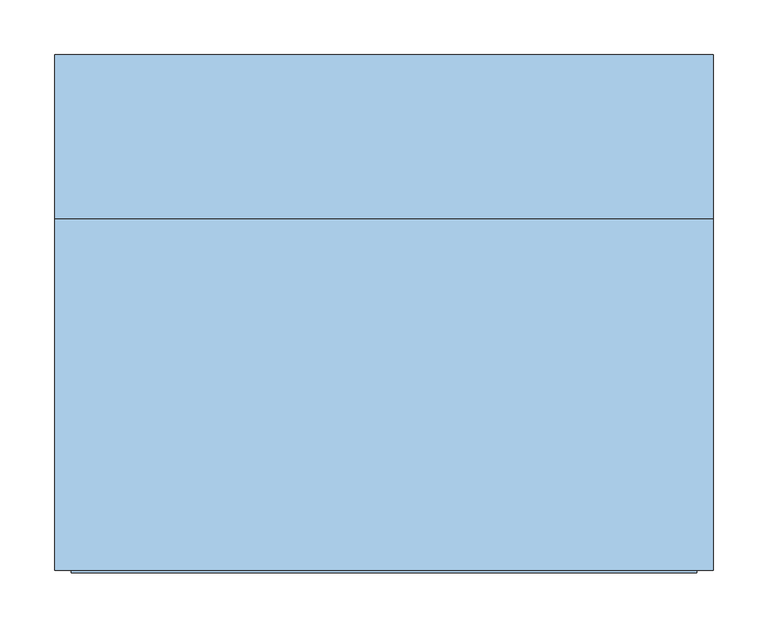
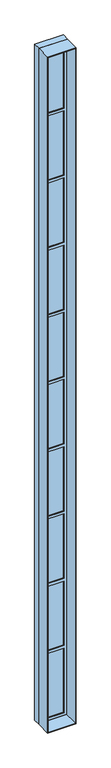
"""IFC4 building model written with IfcOpenShell, lengths in millimetres: window geometry."""

from ifc_helpers import new_model, si_unit, frame, origin, place, context, project, spatial, polyline, outline, extrude, source, transform, mapped, element, save


def window_172be361(model_context):
    return source(origin(), model_context, "Body", "SweptSolid", [
        extrude(outline(polyline([(15765.0, -579.5689401), (775.0, -579.5689401), (775.0, 20.4310599), (15765.0, 20.4310599), (15765.0, -579.5689401)]), holes=[polyline([(15750.0, -564.5689401), (15750.0, 5.4310599), (790.0, 5.4310599), (790.0, -564.5689401), (15750.0, -564.5689401)])]), frame((0.0, -170.0, 0.0), z_axis=(0.0, 1.0, 0.0), x_axis=(0.0, 0.0, 1.0)), (0.0, 0.0, 1.0), 320.0),
        extrude(outline(polyline([(-54.5689401, 170.0), (-504.5689401, 170.0), (-504.5689401, 190.0), (-54.5689401, 190.0), (-54.5689401, 170.0)])), frame((0.0, 0.0, 850.0), z_axis=(0.0, 0.0, 1.0), x_axis=(1.0, 0.0, 0.0)), (0.0, 0.0, 1.0), 1430.0),
        extrude(outline(polyline([(-54.5689401, 170.0), (-504.5689401, 170.0), (-504.5689401, 190.0), (-54.5689401, 190.0), (-54.5689401, 170.0)])), frame((0.0, 0.0, 14260.0), z_axis=(0.0, 0.0, 1.0), x_axis=(1.0, 0.0, 0.0)), (0.0, 0.0, 1.0), 1430.0),
        extrude(outline(polyline([(-54.5689401, 170.0), (-504.5689401, 170.0), (-504.5689401, 190.0), (-54.5689401, 190.0), (-54.5689401, 170.0)])), frame((0.0, 0.0, 12770.0), z_axis=(0.0, 0.0, 1.0), x_axis=(1.0, 0.0, 0.0)), (0.0, 0.0, 1.0), 1430.0),
        extrude(outline(polyline([(-54.5689401, 170.0), (-504.5689401, 170.0), (-504.5689401, 190.0), (-54.5689401, 190.0), (-54.5689401, 170.0)])), frame((0.0, 0.0, 11280.0), z_axis=(0.0, 0.0, 1.0), x_axis=(1.0, 0.0, 0.0)), (0.0, 0.0, 1.0), 1430.0),
        extrude(outline(polyline([(-54.5689401, 170.0), (-504.5689401, 170.0), (-504.5689401, 190.0), (-54.5689401, 190.0), (-54.5689401, 170.0)])), frame((0.0, 0.0, 9790.0), z_axis=(0.0, 0.0, 1.0), x_axis=(1.0, 0.0, 0.0)), (0.0, 0.0, 1.0), 1430.0),
        extrude(outline(polyline([(-54.5689401, 170.0), (-504.5689401, 170.0), (-504.5689401, 190.0), (-54.5689401, 190.0), (-54.5689401, 170.0)])), frame((0.0, 0.0, 8300.0), z_axis=(0.0, 0.0, 1.0), x_axis=(1.0, 0.0, 0.0)), (0.0, 0.0, 1.0), 1430.0),
        extrude(outline(polyline([(-54.5689401, 170.0), (-504.5689401, 170.0), (-504.5689401, 190.0), (-54.5689401, 190.0), (-54.5689401, 170.0)])), frame((0.0, 0.0, 6810.0), z_axis=(0.0, 0.0, 1.0), x_axis=(1.0, 0.0, 0.0)), (0.0, 0.0, 1.0), 1430.0),
        extrude(outline(polyline([(-54.5689401, 170.0), (-504.5689401, 170.0), (-504.5689401, 190.0), (-54.5689401, 190.0), (-54.5689401, 170.0)])), frame((0.0, 0.0, 5320.0), z_axis=(0.0, 0.0, 1.0), x_axis=(1.0, 0.0, 0.0)), (0.0, 0.0, 1.0), 1430.0),
        extrude(outline(polyline([(-54.5689401, 170.0), (-504.5689401, 170.0), (-504.5689401, 190.0), (-54.5689401, 190.0), (-54.5689401, 170.0)])), frame((0.0, 0.0, 3830.0), z_axis=(0.0, 0.0, 1.0), x_axis=(1.0, 0.0, 0.0)), (0.0, 0.0, 1.0), 1430.0),
        extrude(outline(polyline([(-54.5689401, 170.0), (-504.5689401, 170.0), (-504.5689401, 190.0), (-54.5689401, 190.0), (-54.5689401, 170.0)])), frame((0.0, 0.0, 2340.0), z_axis=(0.0, 0.0, 1.0), x_axis=(1.0, 0.0, 0.0)), (0.0, 0.0, 1.0), 1430.0),
        extrude(outline(polyline([(15750.0, -564.5689401), (790.0, -564.5689401), (790.0, 5.4310599), (15750.0, 5.4310599), (15750.0, -564.5689401)]), holes=[polyline([(15690.0, -504.5689401), (15690.0, -54.5689401), (14260.0, -54.5689401), (14260.0, -504.5689401), (15690.0, -504.5689401)]), polyline([(14200.0, -504.5689401), (14200.0, -54.5689401), (12770.0, -54.5689401), (12770.0, -504.5689401), (14200.0, -504.5689401)]), polyline([(12710.0, -504.5689401), (12710.0, -54.5689401), (11280.0, -54.5689401), (11280.0, -504.5689401), (12710.0, -504.5689401)]), polyline([(11220.0, -504.5689401), (11220.0, -54.5689401), (9790.0, -54.5689401), (9790.0, -504.5689401), (11220.0, -504.5689401)]), polyline([(9730.0, -504.5689401), (9730.0, -54.5689401), (8300.0, -54.5689401), (8300.0, -504.5689401), (9730.0, -504.5689401)]), polyline([(8240.0, -504.5689401), (8240.0, -54.5689401), (6810.0, -54.5689401), (6810.0, -504.5689401), (8240.0, -504.5689401)]), polyline([(6750.0, -504.5689401), (6750.0, -54.5689401), (5320.0, -54.5689401), (5320.0, -504.5689401), (6750.0, -504.5689401)]), polyline([(5260.0, -504.5689401), (5260.0, -54.5689401), (3830.0, -54.5689401), (3830.0, -504.5689401), (5260.0, -504.5689401)]), polyline([(3770.0, -504.5689401), (3770.0, -54.5689401), (2340.0, -54.5689401), (2340.0, -504.5689401), (3770.0, -504.5689401)]), polyline([(2280.0, -504.5689401), (2280.0, -54.5689401), (850.0, -54.5689401), (850.0, -504.5689401), (2280.0, -504.5689401)])]), frame((0.0, 150.0, 0.0), z_axis=(0.0, 1.0, 0.0), x_axis=(0.0, 0.0, 1.0)), (0.0, 0.0, 1.0), 60.0),
        extrude(outline(polyline([(15765.0, -579.5689401), (775.0, -579.5689401), (775.0, 20.4310599), (15765.0, 20.4310599), (15765.0, -579.5689401)]), holes=[polyline([(15750.0, -564.5689401), (15750.0, 5.4310599), (790.0, 5.4310599), (790.0, -564.5689401), (15750.0, -564.5689401)])]), frame((0.0, 150.0, 0.0), z_axis=(0.0, 1.0, 0.0), x_axis=(0.0, 0.0, 1.0)), (0.0, 0.0, 1.0), 150.0),
    ])


if __name__ == "__main__":
    model = new_model("IFC4")
    model_context = context("Model", 3, world=origin())
    ifc_project = project(units=[si_unit("LENGTHUNIT", "METRE", prefix="MILLI")], contexts=[model_context])
    site = spatial("IfcSite", under=ifc_project)
    building = spatial("IfcBuilding", under=site)
    placement = place(None, origin())
    window_shape = window_172be361(model_context)
    element("IfcWindow", 1, at=placement, inside=building, context=model_context, shape_type="MappedRepresentation", body=[
        mapped(window_shape, transform((0.0, 0.0, 0.0), x_axis=(1.0, 0.0, 0.0), y_axis=(0.0, 1.0, 0.0), z_axis=(0.0, 0.0, 1.0))),
    ])
    save(model, "model.ifc")
